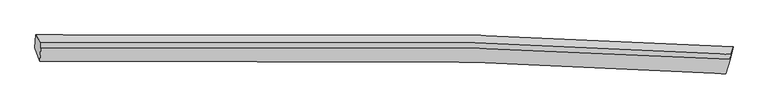
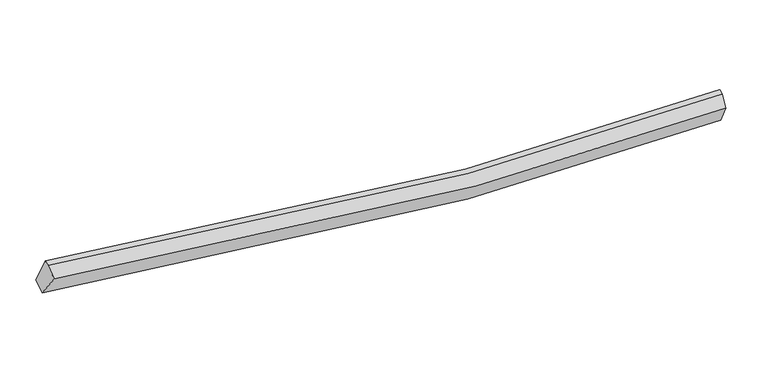
"""IFC4 building model written with IfcOpenShell, lengths in millimetres: proxy geometry."""

from ifc_helpers import new_model, si_unit, frame, origin, place, context, project, spatial, source, transform, mapped, element, save
from ifc_brep_helpers import plane_surface, spline_curve, spline_surface, advanced_brep


def generic_models_c241ba8a(model_context):
    return source(origin(), model_context, "Body", "AdvancedBrep", [
        advanced_brep(
        [(-9868.3206912, -1953.691712, 3522.7693271), (-9845.2561642, -1599.402314, 3681.110998), (9314.9184591, -1929.0118916, 2387.3822205), (9169.0518754, -2313.9333279, 2253.9780888), (-9735.0266786, -2316.4771781, 4109.1492903), (9107.5330317, -2672.5110626, 2855.4096592), (-9707.5093472, -1964.4273577, 4288.42684), (9242.1012721, -2269.6354689, 2993.5985482), (-9701.7227462, -1817.0633624, 4336.1276589), (9247.3278793, -2136.5325053, 3036.6831588)],
        [
            (0, 1),
            (1, 2, spline_curve(3, [(-9845.2561642, -1599.402314, 3681.110998), (-5863.141172524, -1485.164136252, 2870.10352223), (-1845.986509664, -1487.054006222, 2399.451108183), (4563.915990716, -1673.738866422, 2193.342208263), (6933.486202087, -1781.718856538, 2232.751695563), (9314.9184591, -1929.0118916, 2387.3822205)], [4, 2, 4], [0.0, 39.80745684160579, 62.96882530662914])),
            (2, 3),
            (3, 0, spline_curve(3, [(9169.0518754, -2313.9333279, 2253.9780888), (6847.685880563, -2157.856055875, 2093.097755783), (4521.626302196, -2042.941432074, 2048.612651822), (-1814.993612428, -1842.431894314, 2244.114749073), (-5834.724890404, -1837.26598048, 2711.530266142), (-9868.3206912, -1953.691712, 3522.7693271)], [4, 2, 4], [0.0, 23.16136846502335, 62.96882530662914])),
            (4, 0),
            (3, 5),
            (5, 4, spline_curve(3, [(9107.5330317, -2672.5110626, 2855.4096592), (6810.147451999, -2528.390596202, 2709.394330691), (4508.03338982, -2421.224551237, 2673.627748896), (-1763.580716882, -2230.340176778, 2876.122450618), (-5742.319891447, -2218.828259427, 3329.802242939), (-9735.0266786, -2316.4771781, 4109.1492903)], [4, 2, 4], [0.0, 22.96637386532101, 62.4386933801441])),
            (6, 4),
            (5, 7),
            (7, 6, spline_curve(3, [(9242.1012721, -2269.6354689, 2993.5985482), (6889.500122668, -2127.693738088, 2838.346095029), (4547.652268482, -2024.197174571, 2798.593023426), (-1789.895807483, -1847.341910399, 3004.524561947), (-5764.584825095, -1849.102435624, 3475.887063316), (-9707.5093472, -1964.4273577, 4288.42684)], [4, 2, 4], [0.0, 22.913696928577153, 62.29548056296875])),
            (8, 6),
            (7, 9),
            (9, 8, spline_curve(3, [(9247.3278793, -2136.5325053, 3036.6831588), (6894.883629819, -1990.595097264, 2882.724081869), (4553.160218276, -1883.929415843, 2843.996834534), (-1784.137773652, -1700.705434205, 3051.989886725), (-5758.764570481, -1700.881401558, 3523.865300136), (-9701.7227462, -1817.0633624, 4336.1276589)], [4, 2, 4], [0.0, 22.982088382589566, 62.48141644696789])),
            (1, 8),
            (9, 2),
            (7, 2),
            (3, 7),
        ],
        [
            spline_surface(3, 3, [[(-9868.3206912, -1953.691712, 3522.7693271), (-5834.724889779, -1837.26597982, 2711.530265573), (-1814.993612477, -1842.431894495, 2244.114748845), (4521.626302225, -2042.941431968, 2048.612651954), (6847.685880477, -2157.856055908, 2093.097755871), (9169.0518754, -2313.9333279, 2253.9780888)], [(-9860.63251554, -1835.595246021, 3575.549884095), (-5844.196983984, -1719.898698809, 2764.388017857), (-1825.324578121, -1723.972598335, 2295.893535471), (4535.722865017, -1919.873910166, 2096.855837268), (6876.285987681, -2032.476989444, 2139.649069144), (9217.674069973, -2185.626182484, 2298.446132701)], [(-9852.94433986, -1717.498779979, 3628.330441005), (-5853.669078169, -1602.531417736, 2817.245770054), (-1835.655543788, -1605.513302162, 2347.67232213), (4549.819427788, -1796.806388352, 2145.099022615), (6904.886094865, -1907.097922927, 2186.200382414), (9266.296264527, -2057.319037016, 2342.914176599)], [(-9845.2561642, -1599.402314, 3681.110998), (-5863.141172373, -1485.164136726, 2870.103522337), (-1845.986509432, -1487.054006002, 2399.451108756), (4563.915990581, -1673.73886655, 2193.342207929), (6933.486202069, -1781.718856463, 2232.751695687), (9314.9184591, -1929.0118916, 2387.3822205)]], [4, 4], [4, 2, 4], [0.0, 1.2808211225705701], [0.0, 39.80745684160579, 62.96882530662914]),
            spline_surface(3, 3, [[(-9735.0266786, -2316.4771781, 4109.1492903), (-5742.319891114, -2218.828259077, 3329.802242736), (-1763.580716478, -2230.340176287, 2876.122450386), (4508.033389585, -2421.224551523, 2673.627749032), (6810.147451727, -2528.390595856, 2709.394330984), (9107.5330317, -2672.5110626, 2855.4096592)], [(-9779.458016121, -2195.548689375, 3913.689302554), (-5773.121557323, -2091.640832633, 3123.711583669), (-1780.718348482, -2101.037415699, 2665.453216531), (4512.564360461, -2295.130178347, 2465.289383332), (6822.660261318, -2404.879082546, 2503.962139274), (9128.03931294, -2552.985151039, 2654.93246906)], [(-9823.889353679, -2074.620200725, 3718.229314846), (-5803.92322357, -1964.453406263, 2917.620924641), (-1797.855980474, -1971.734655083, 2454.7839827), (4517.095331349, -2169.035805143, 2256.951017654), (6835.173070887, -2281.367569218, 2298.529947582), (9148.54559416, -2433.459239461, 2454.45527894)], [(-9868.3206912, -1953.691712, 3522.7693271), (-5834.724889779, -1837.26597982, 2711.530265573), (-1814.993612477, -1842.431894495, 2244.114748845), (4521.626302225, -2042.941431968, 2048.612651954), (6847.685880477, -2157.856055908, 2093.097755871), (9169.0518754, -2313.9333279, 2253.9780888)]], [4, 4], [4, 2, 4], [0.0, 2.4178761796052046], [0.0, 39.47231951482309, 62.4386933801441]),
            spline_surface(3, 3, [[(-9707.5093472, -1964.4273577, 4288.42684), (-5764.584825315, -1849.102435942, 3475.887063422), (-1789.895806905, -1847.341909875, 3004.524561627), (4547.652268146, -2024.197174876, 2798.593023612), (6889.500122889, -2127.693738054, 2838.346094809), (9242.1012721, -2269.6354689, 2993.5985482)], [(-9716.681791012, -2081.777297829, 4228.667656775), (-5757.163180593, -1972.344376983, 3427.192123201), (-1781.124110105, -1975.007998687, 2961.723857883), (4534.445975284, -2156.539633766, 2756.937932088), (6863.04923251, -2261.259357319, 2795.362173559), (9197.245191975, -2403.927333464, 2947.535585225)], [(-9725.854234788, -2199.127237971, 4168.908473525), (-5749.741535836, -2095.586318036, 3378.497182956), (-1772.352413279, -2102.674087475, 2918.92315413), (4521.239682447, -2288.882092632, 2715.282840555), (6836.598342105, -2394.824976592, 2752.378252234), (9152.389111825, -2538.219198036, 2901.472622175)], [(-9735.0266786, -2316.4771781, 4109.1492903), (-5742.319891114, -2218.828259077, 3329.802242736), (-1763.580716478, -2230.340176287, 2876.122450386), (4508.033389585, -2421.224551523, 2673.627749032), (6810.147451727, -2528.390595856, 2709.394330984), (9107.5330317, -2672.5110626, 2855.4096592)]], [4, 4], [4, 2, 4], [0.0, 1.335148209893669], [0.0, 39.381783634391596, 62.29548056296875]),
            spline_surface(3, 3, [[(-9701.7227462, -1817.0633624, 4336.1276589), (-5758.764570598, -1700.881401031, 3523.865300772), (-1784.137773758, -1700.705433985, 3051.98988694), (4553.160218337, -1883.929415971, 2843.996834409), (6894.883629942, -1990.595097291, 2882.72408153), (9247.3278793, -2136.5325053, 3036.6831588)], [(-9703.651613176, -1866.184694184, 4320.227385935), (-5760.70465548, -1750.288412685, 3507.87255499), (-1786.057118135, -1749.584259276, 3036.168111835), (4551.324234946, -1930.685335601, 2828.862230809), (6893.08912756, -2036.294644193, 2867.931419285), (9245.58567687, -2180.900159815, 3022.321621929)], [(-9705.580480224, -1915.306025916, 4304.327112965), (-5762.644740433, -1799.695424287, 3491.879809203), (-1787.976462528, -1798.463084584, 3020.346336732), (4549.488251537, -1977.441255246, 2813.727627211), (6891.29462527, -2081.994191151, 2853.138757054), (9243.84347453, -2225.267814385, 3007.960085071)], [(-9707.5093472, -1964.4273577, 4288.42684), (-5764.584825315, -1849.102435942, 3475.887063422), (-1789.895806905, -1847.341909875, 3004.524561627), (4547.652268146, -2024.197174876, 2798.593023612), (6889.500122889, -2127.693738054, 2838.346094809), (9242.1012721, -2269.6354689, 2993.5985482)]], [4, 4], [4, 2, 4], [0.0, 0.4997357537343434], [0.0, 39.499328064378325, 62.48141644696789]),
            spline_surface(3, 3, [[(-9845.2561642, -1599.402314, 3681.110998), (-5863.141172373, -1485.164136726, 2870.103522337), (-1845.986509432, -1487.054006002, 2399.451108756), (4563.915990581, -1673.73886655, 2193.342207929), (6933.486202069, -1781.718856463, 2232.751695687), (9314.9184591, -1929.0118916, 2387.3822205)], [(-9797.411691551, -1671.95599679, 3899.449884941), (-5828.348971799, -1557.069891484, 3088.024115123), (-1825.370264207, -1558.271148647, 2616.964034834), (4560.330733166, -1743.802383008, 2410.227083439), (6920.618678034, -1851.34427007, 2449.40915762), (9292.388265841, -1998.185429498, 2603.815866585)], [(-9749.567218849, -1744.50967961, 4117.788771959), (-5793.556771172, -1628.975646273, 3305.944707986), (-1804.754018982, -1629.48829134, 2834.476960862), (4556.745475752, -1813.865899513, 2627.111958899), (6907.751153976, -1920.969683684, 2666.066619598), (9269.858072559, -2067.358967402, 2820.249512715)], [(-9701.7227462, -1817.0633624, 4336.1276589), (-5758.764570598, -1700.881401031, 3523.865300772), (-1784.137773758, -1700.705433985, 3051.98988694), (4553.160218337, -1883.929415971, 2843.996834409), (6894.883629942, -1990.595097291, 2882.72408153), (9247.3278793, -2136.5325053, 3036.6831588)]], [4, 4], [4, 2, 4], [0.0, 2.255175105024407], [0.0, 39.71700850937374, 62.82575097625285]),
            plane_surface(frame((-9771.5671255, -1930.2123848, 3987.5168228), z_axis=(-0.9783434674941962, -0.027969266130740814, 0.2050896871213678), x_axis=(-0.05933027284574784, -0.9113599712364294, -0.4073118234866054))),
            plane_surface(frame((9268.1158702, -2111.7266219, 2805.8879758), z_axis=(0.9944194363874175, -0.06575343929863242, 0.08250133183974631), x_axis=(0.10414950102972984, 0.48718959131782075, -0.8670635406628704))),
            plane_surface(frame((9172.895393, -2418.6932864, 2700.9954321), z_axis=(0.9533022724461983, -0.29212734817278146, -0.07665761409314385), x_axis=(-0.30127035791405304, -0.9019548295255181, -0.30937623848306794))),
            plane_surface(frame((9242.0238689, -2170.8602295, 2544.9862858), z_axis=(0.9407379946830456, -0.33116696371873605, -0.07307850231795604), x_axis=(-0.09811371579127945, -0.05949710398923582, -0.9933950842391571))),
        ],
        [
            (0, [[1, 2, 3, 4]]),
            (1, [[5, -4, 6, 7]]),
            (2, [[8, -7, 9, 10]]),
            (3, [[11, -10, 12, 13]]),
            (4, [[14, -13, 15, -2]]),
            (5, [[-1, -5, -8, -11, -14]]),
            (6, [[16, -15, -12]]),
            (7, [[-9, -6, 17]]),
            (8, [[-17, -3, -16]]),
        ],
    ),
    ])


if __name__ == "__main__":
    model = new_model("IFC4")
    model_context = context("Model", 3, world=origin())
    ifc_project = project(units=[si_unit("LENGTHUNIT", "METRE", prefix="MILLI")], contexts=[model_context])
    site = spatial("IfcSite", under=ifc_project)
    building = spatial("IfcBuilding", under=site)
    placement = place(None, origin())
    generic_models_shape = generic_models_c241ba8a(model_context)
    element("IfcBuildingElementProxy", 1, Name="Generic Models", at=placement, inside=building, context=model_context, shape_type="MappedRepresentation", body=[
        mapped(generic_models_shape, transform((0.0, 0.0, 0.0), x_axis=(1.0, 0.0, 0.0), y_axis=(0.0, 1.0, 0.0), z_axis=(0.0, 0.0, 1.0))),
    ])
    save(model, "model.ifc")
